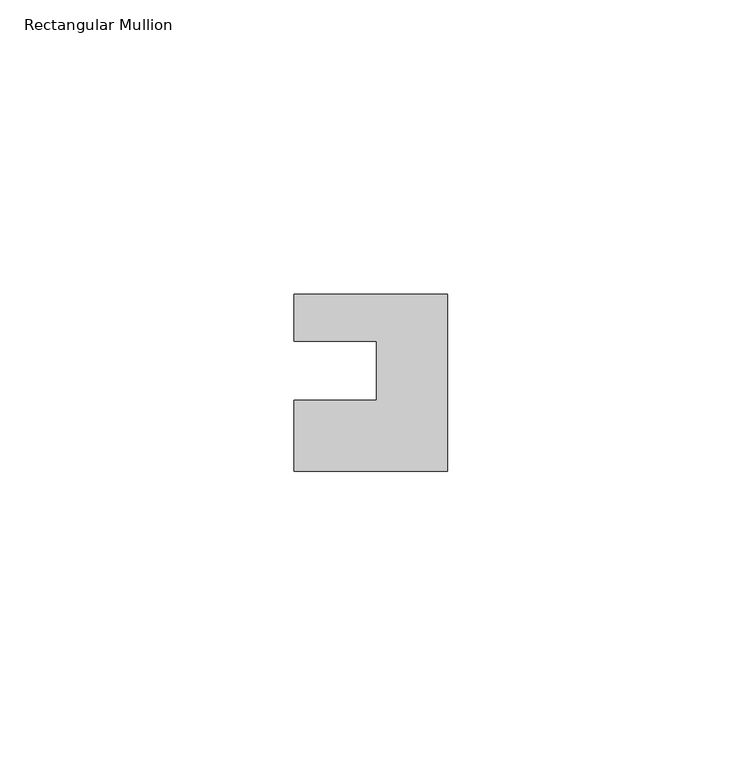
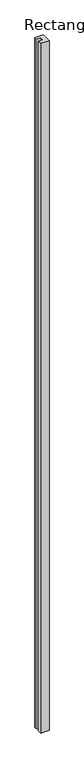
"""IFC4 building model written with IfcOpenShell, lengths in millimetres: member geometry, Rectangular Mullion."""

import ifcopenshell
import ifcopenshell.guid

model = None  # the IFC model being written
_history = None  # IfcOwnerHistory: only IFC2X3 demands one
_inside = {}  # id of a spatial element -> (the spatial element, [elements in it])
_under = {}  # id of a project, library or spatial element -> (it, [spatial elements below it])
_declared = {}  # id of a project -> (the project, [libraries it declares])
_typed = {}  # id of a type object -> (the type object, [elements of that type])
_made_of = {}  # id of a material, layer set ... -> (it, [elements and type objects made of it])


def new_model(schema):
    """Start an empty IFC model of exactly this schema.

    Asked for "IFC4X3", IfcOpenShell would pick the latest addendum, in which some entities
    have other attributes; the version numbers below select the first issue.
    IFC2X3 requires an IfcOwnerHistory on every rooted entity: one is made here for all.
    """
    global model, _history
    if schema == "IFC4X3":
        model = ifcopenshell.file(schema_version=(4, 3, 0, 0))
    else:
        model = ifcopenshell.file(schema=schema)
    _inside.clear()
    _under.clear()
    _declared.clear()
    _typed.clear()
    _made_of.clear()
    _history = None
    if model.schema == "IFC2X3":
        org = make("IfcOrganization", Name="unknown")
        user = make(
            "IfcPersonAndOrganization",
            ThePerson=make("IfcPerson", FamilyName="unknown"),
            TheOrganization=org,
        )
        app = make(
            "IfcApplication",
            ApplicationDeveloper=org,
            Version="unknown",
            ApplicationFullName="unknown",
            ApplicationIdentifier="unknown",
        )
        _history = make(
            "IfcOwnerHistory",
            OwningUser=user,
            OwningApplication=app,
            ChangeAction="ADDED",
            CreationDate=0,
        )
    return model


def make(cls, **values):
    """One entity of the class cls with the attributes given. An attribute that is None is left unset."""
    return model.create_entity(
        cls, **{name: value for name, value in values.items() if value is not None}
    )


def rooted(cls, **values):
    """An entity with a GlobalId (a new one), such as an element, a storey or a relation."""
    return make(cls, GlobalId=ifcopenshell.guid.new(), OwnerHistory=_history, **values)


def si_unit(unit_type, name, prefix=None):
    """IfcSIUnit, for example si_unit("LENGTHUNIT", "METRE", prefix="MILLI")."""
    return make("IfcSIUnit", UnitType=unit_type, Prefix=prefix, Name=name)


def assignment(units):
    """IfcUnitAssignment: the units of a project."""
    return None if units is None else make("IfcUnitAssignment", Units=units)


def point(xyz):
    """IfcCartesianPoint."""
    return None if xyz is None else make("IfcCartesianPoint", Coordinates=xyz)


def direction(xyz):
    """IfcDirection."""
    return None if xyz is None else make("IfcDirection", DirectionRatios=xyz)


def frame(location, z_axis=None, x_axis=None):
    """IfcAxis2Placement3D, a coordinate frame: its origin and axes. An axis left out is left unset."""
    return make(
        "IfcAxis2Placement3D",
        Location=point(location),
        Axis=direction(z_axis),
        RefDirection=direction(x_axis),
    )


def origin():
    """The frame at (0, 0, 0) with its axes left unset."""
    return frame((0.0, 0.0, 0.0))


def place(relative_to, where):
    """IfcLocalPlacement: puts the frame where relative to a parent placement (None: the world)."""
    return make(
        "IfcLocalPlacement", PlacementRelTo=relative_to, RelativePlacement=where
    )


def context(
    kind, dimensions, precision=None, world=None, true_north=None, identifier=None
):
    """IfcGeometricRepresentationContext, for example the 3D "Model" context."""
    return make(
        "IfcGeometricRepresentationContext",
        ContextIdentifier=identifier,
        ContextType=kind,
        CoordinateSpaceDimension=dimensions,
        Precision=precision,
        WorldCoordinateSystem=world,
        TrueNorth=true_north,
    )


def project(units=None, contexts=None):
    """IfcProject with its units and contexts."""
    return rooted(
        "IfcProject",
        Name="project",
        RepresentationContexts=contexts,
        UnitsInContext=assignment(units),
    )


def spatial(cls, under=None, at=None, **own):
    """A site, building, storey or space (cls), placed at a placement, below another one or the project."""
    s = rooted(cls, ObjectPlacement=at, **own)
    if under is not None:
        _under.setdefault(under.id(), (under, []))[1].append(s)
    return s


def polyline(points):
    """IfcPolyline through the points."""
    return make("IfcPolyline", Points=[point(p) for p in points])


def outline(outer, holes=None, kind="AREA"):
    """IfcArbitraryClosedProfileDef: a profile drawn as a closed curve; with holes, ...WithVoids."""
    if holes is None:
        return make("IfcArbitraryClosedProfileDef", ProfileType=kind, OuterCurve=outer)
    return make(
        "IfcArbitraryProfileDefWithVoids",
        ProfileType=kind,
        OuterCurve=outer,
        InnerCurves=holes,
    )


def extrude(swept, where, along, depth):
    """IfcExtrudedAreaSolid: the profile swept, set in the frame where, extruded along a direction by depth."""
    return make(
        "IfcExtrudedAreaSolid",
        SweptArea=swept,
        Position=where,
        ExtrudedDirection=direction(along),
        Depth=depth,
    )


def shape(context_of_items, identifier, shape_type, items):
    """IfcShapeRepresentation: the items that make up one representation, for example the "Body"."""
    return make(
        "IfcShapeRepresentation",
        ContextOfItems=context_of_items,
        RepresentationIdentifier=identifier,
        RepresentationType=shape_type,
        Items=items,
    )


def source(mapping_origin, context_of_items, identifier, shape_type, items):
    """IfcRepresentationMap: a shape defined once, which mapped items show again and again."""
    return make(
        "IfcRepresentationMap",
        MappingOrigin=mapping_origin,
        MappedRepresentation=shape(context_of_items, identifier, shape_type, items),
    )


def transform(
    local_origin,
    x_axis=None,
    y_axis=None,
    z_axis=None,
    scale=None,
    scale2=None,
    scale3=None,
    uniform=True,
):
    """IfcCartesianTransformationOperator3D, or its non-uniform kind. x_axis, y_axis, z_axis: its Axis1, 2, 3."""
    if uniform:
        return make(
            "IfcCartesianTransformationOperator3D",
            Axis1=direction(x_axis),
            Axis2=direction(y_axis),
            LocalOrigin=point(local_origin),
            Scale=scale,
            Axis3=direction(z_axis),
        )
    return make(
        "IfcCartesianTransformationOperator3DnonUniform",
        Axis1=direction(x_axis),
        Axis2=direction(y_axis),
        LocalOrigin=point(local_origin),
        Scale=scale,
        Axis3=direction(z_axis),
        Scale2=scale2,
        Scale3=scale3,
    )


def mapped(mapping_source, mapping_target):
    """IfcMappedItem: shows the shape of a source again, moved by a transform."""
    return make(
        "IfcMappedItem", MappingSource=mapping_source, MappingTarget=mapping_target
    )


def made_of(thing, what):
    """Note that an element or type object is made of a material, layer set ...; save() writes the relation."""
    if what is not None:
        _made_of.setdefault(what.id(), (what, []))[1].append(thing)
    return thing


def element(
    cls,
    number,
    at=None,
    inside=None,
    cuts=None,
    type_object=None,
    material=None,
    context=None,
    identifier="Body",
    shape_type=None,
    held_by="IfcProductDefinitionShape",
    body=None,
    shapes=None,
    **own,
):
    """One element of the class cls, such as IfcWall. Its Tag is "e" and its number.

    at: its placement. inside: the storey or other place that contains it. cuts: it is an
    opening in that element (IfcRelVoidsElement). A single representation is given by context,
    identifier, shape_type and body (its items); several are given by shapes. held_by: the class
    of the entity that holds the representations. save() writes the other relations.
    """
    e = rooted(cls, Tag="e%d" % number, ObjectPlacement=at, **own)
    if body is not None:
        shapes = [shape(context, identifier, shape_type, body)]
    if shapes is not None:
        e.Representation = make(held_by, Representations=shapes)
    if inside is not None:
        _inside.setdefault(inside.id(), (inside, []))[1].append(e)
    if cuts is not None:
        rooted(
            "IfcRelVoidsElement", RelatingBuildingElement=cuts, RelatedOpeningElement=e
        )
    if type_object is not None:
        _typed.setdefault(type_object.id(), (type_object, []))[1].append(e)
    return made_of(e, material)


def aggregate(whole, parts):
    """IfcRelAggregates: a whole, such as a stair, and the parts it consists of."""
    return rooted("IfcRelAggregates", RelatingObject=whole, RelatedObjects=parts)


def save(model, path):
    """Write the relations noted so far, then the file.

    IfcRelAggregates (storeys below a building ...), IfcRelContainedInSpatialStructure (elements
    in a storey), IfcRelDefinesByType, IfcRelAssociatesMaterial and IfcRelDeclares: one each for
    every whole, place, type object, material and project.
    """
    for whole, parts in _under.values():
        aggregate(whole, parts)
    for where, things in _inside.values():
        rooted(
            "IfcRelContainedInSpatialStructure",
            RelatedElements=things,
            RelatingStructure=where,
        )
    for kind, things in _typed.values():
        rooted("IfcRelDefinesByType", RelatedObjects=things, RelatingType=kind)
    for what, things in _made_of.values():
        rooted("IfcRelAssociatesMaterial", RelatedObjects=things, RelatingMaterial=what)
    for by, libraries in _declared.values():
        rooted("IfcRelDeclares", RelatingContext=by, RelatedDefinitions=libraries)
    model.write(path)


def rectangular_mullion_148ddb98(model_context):
    return source(origin(), model_context, "Body", "SweptSolid", [
        extrude(outline(polyline([(0.0, 7.94), (0.0, -22.06), (-26.0, -22.06), (-26.0, -10.0), (-12.0, -10.0), (-12.0, 0.001), (-26.0, 0.001), (-26.0, 7.94), (0.0, 7.94)])), frame((0.0, 0.0, -2239.0), z_axis=(0.0, 0.0, 1.0), x_axis=(1.0, 0.0, 0.0)), (0.0, 0.0, 1.0), 2239.0),
    ])


if __name__ == "__main__":
    model = new_model("IFC4")
    model_context = context("Model", 3, world=origin())
    ifc_project = project(units=[si_unit("LENGTHUNIT", "METRE", prefix="MILLI")], contexts=[model_context])
    site = spatial("IfcSite", under=ifc_project)
    building = spatial("IfcBuilding", under=site)
    placement = place(None, origin())
    rectangular_mullion_shape = rectangular_mullion_148ddb98(model_context)
    element("IfcMember", 1, ObjectType="Rectangular Mullion", at=placement, inside=building, context=model_context, shape_type="MappedRepresentation", body=[
        mapped(rectangular_mullion_shape, transform((0.0, 0.0, 0.0), x_axis=(1.0, 0.0, 0.0), y_axis=(0.0, 1.0, 0.0), z_axis=(0.0, 0.0, 1.0))),
    ])
    save(model, "model.ifc")
